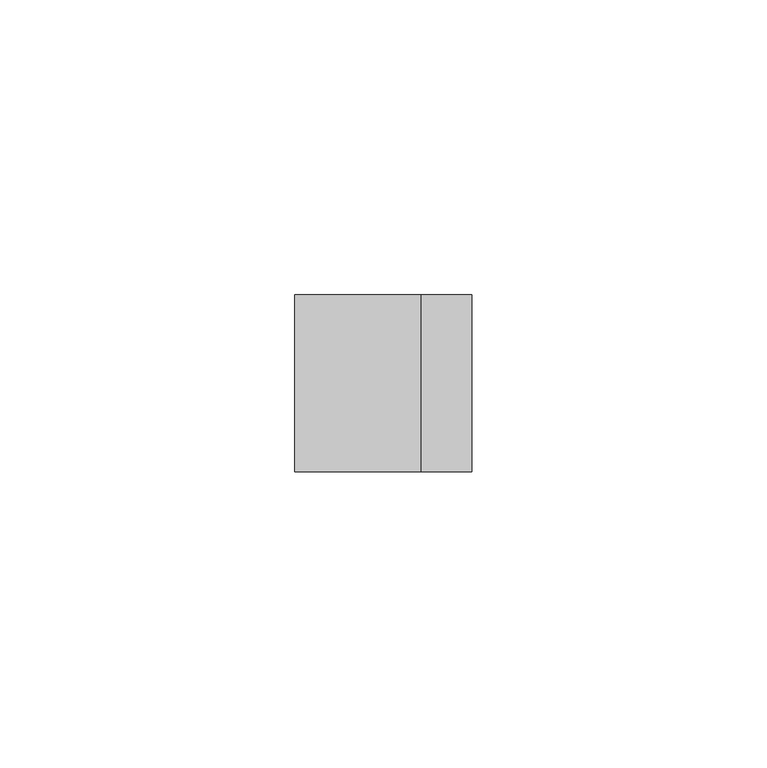
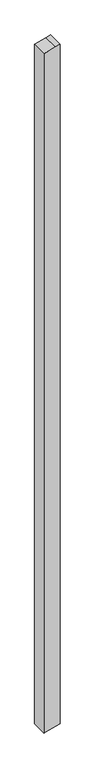
"""IFC4 building model written with IfcOpenShell, lengths in millimetres: member geometry."""

from ifc_helpers import new_model, si_unit, frame, origin, place, context, project, spatial, polyline, outline, extrude, source, transform, mapped, element, save


def member_ec8f7ea1(model_context):
    return source(origin(), model_context, "Body", "SweptSolid", [
        extrude(outline(polyline([(3.1373334, 15.0), (0.8518543, 6.4704761), (-4.9011424, -15.0), (-1344.8360484, -15.0), (-1344.2349566, -12.7137556), (-1336.9485481, 15.0), (3.1373334, 15.0)])), frame((0.0, -15.0, 0.0), z_axis=(0.0, 1.0, 0.0), x_axis=(0.0, 0.0, 1.0)), (0.0, 0.0, 1.0), 30.0),
    ])


if __name__ == "__main__":
    model = new_model("IFC4")
    model_context = context("Model", 3, world=origin())
    ifc_project = project(units=[si_unit("LENGTHUNIT", "METRE", prefix="MILLI")], contexts=[model_context])
    site = spatial("IfcSite", under=ifc_project)
    building = spatial("IfcBuilding", under=site)
    placement = place(None, origin())
    member_shape = member_ec8f7ea1(model_context)
    element("IfcMember", 1, at=placement, inside=building, context=model_context, shape_type="MappedRepresentation", body=[
        mapped(member_shape, transform((0.0, 0.0, 0.0), x_axis=(1.0, 0.0, 0.0), y_axis=(0.0, 1.0, 0.0), z_axis=(0.0, 0.0, 1.0))),
    ])
    save(model, "model.ifc")
